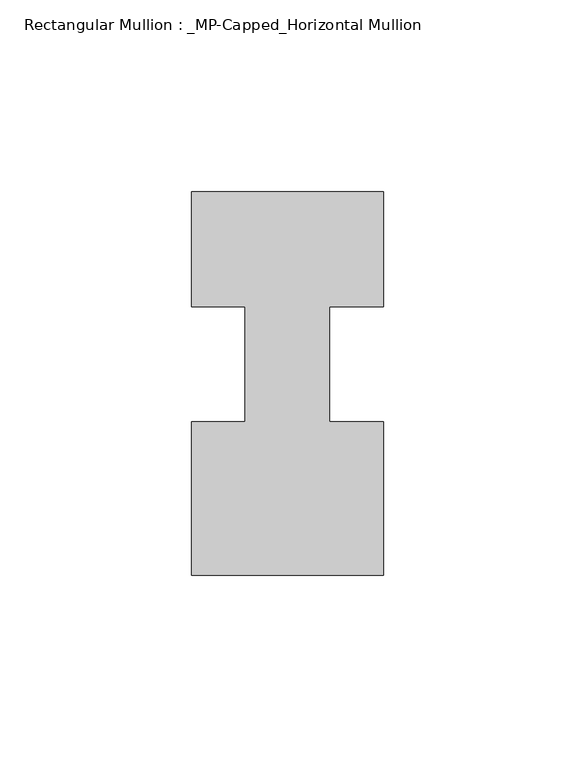
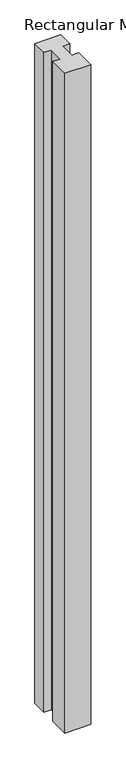
"""IFC4 building model written with IfcOpenShell, lengths in millimetres: member geometry, Rectangular Mullion : _MP-Capped_Horizontal Mullion."""

from ifc_helpers import new_model, si_unit, frame, origin, place, context, project, spatial, polyline, outline, extrude, source, transform, mapped, element, save


def rectangular_mullion_mp_capped_horizontal_mullion_8e692bd9(model_context):
    return source(origin(), model_context, "Body", "SweptSolid", [
        extrude(outline(polyline([(25.0, 0.0), (25.0, -30.0), (11.0, -30.0), (11.0, -60.0), (25.0, -60.0), (25.0, -100.0), (-25.0, -100.0), (-25.0, -60.0), (-11.0, -60.0), (-11.0, -30.0), (-25.0, -30.0), (-25.0, 0.0), (25.0, 0.0)])), frame((0.0, 0.0, -1340.0), z_axis=(0.0, 0.0, 1.0), x_axis=(1.0, 0.0, 0.0)), (0.0, 0.0, 1.0), 1340.0),
    ])


if __name__ == "__main__":
    model = new_model("IFC4")
    model_context = context("Model", 3, world=origin())
    ifc_project = project(units=[si_unit("LENGTHUNIT", "METRE", prefix="MILLI")], contexts=[model_context])
    site = spatial("IfcSite", under=ifc_project)
    building = spatial("IfcBuilding", under=site)
    placement = place(None, origin())
    rectangular_mullion_mp_capped_horizontal_mullion_shape = rectangular_mullion_mp_capped_horizontal_mullion_8e692bd9(model_context)
    element("IfcMember", 1, ObjectType="Rectangular Mullion : _MP-Capped_Horizontal Mullion", at=placement, inside=building, context=model_context, shape_type="MappedRepresentation", body=[
        mapped(rectangular_mullion_mp_capped_horizontal_mullion_shape, transform((0.0, 0.0, 0.0), x_axis=(1.0, 0.0, 0.0), y_axis=(0.0, 1.0, 0.0), z_axis=(0.0, 0.0, 1.0))),
    ])
    save(model, "model.ifc")
